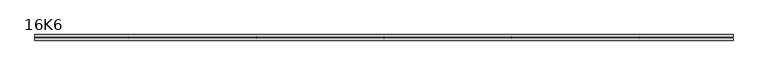
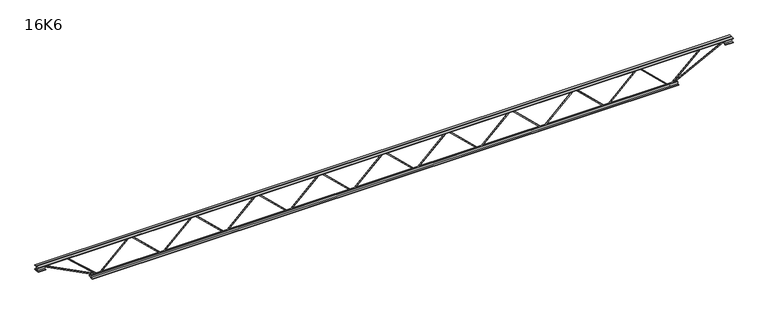
"""IFC4 building model written with IfcOpenShell, lengths in millimetres: beam geometry, 16K6."""

from ifc_helpers import new_model, si_unit, frame, origin, place, context, project, spatial, polyline, outline, extrude, source, transform, mapped, element, save


def beam_16k6_dd29e9ce(model_context):
    return source(origin(), model_context, "Body", "SweptSolid", [
        extrude(outline(polyline([(-191.9, 2082.3194444), (-201.4, 2082.3194444), (-201.4, 2087.4042366), (191.9, 2497.4431254), (191.9, 2499.9735412), (-201.4, 2910.0124301), (-201.4, 2915.0972222), (-191.9, 2915.0972222), (-191.9, 2913.8320143), (201.4, 2503.7931254), (201.4, 2493.6235412), (-191.9, 2083.5846523), (-191.9, 2082.3194444)])), frame((0.0, -4.75, 0.0), z_axis=(0.0, 1.0, 0.0), x_axis=(0.0, 0.0, 1.0)), (0.0, 0.0, 1.0), 9.5),
        extrude(outline(polyline([(-191.9, 1249.4166667), (-201.4, 1249.4166667), (-201.4, 1254.5014588), (191.9, 1664.5403477), (191.9, 1667.0707634), (-201.4, 2077.1096523), (-201.4, 2082.1944444), (-191.9, 2082.1944444), (-191.9, 2080.9292366), (201.4, 1670.8903477), (201.4, 1660.7207634), (-191.9, 1250.6818746), (-191.9, 1249.4166667)])), frame((0.0, -4.75, 0.0), z_axis=(0.0, 1.0, 0.0), x_axis=(0.0, 0.0, 1.0)), (0.0, 0.0, 1.0), 9.5),
        extrude(outline(polyline([(-191.9, 416.5138889), (-201.4, 416.5138889), (-201.4, 421.598681), (191.9, 831.6375699), (191.9, 834.1679857), (-201.4, 1244.2068746), (-201.4, 1249.2916667), (-191.9, 1249.2916667), (-191.9, 1248.0264588), (201.4, 837.9875699), (201.4, 827.8179857), (-191.9, 417.7790968), (-191.9, 416.5138889)])), frame((0.0, -4.75, 0.0), z_axis=(0.0, 1.0, 0.0), x_axis=(0.0, 0.0, 1.0)), (0.0, 0.0, 1.0), 9.5),
        extrude(outline(polyline([(-191.9, -416.3888889), (-201.4, -416.3888889), (-201.4, -411.3040968), (191.9, -1.2652079), (191.9, 1.2652079), (-201.4, 411.3040968), (-201.4, 416.3888889), (-191.9, 416.3888889), (-191.9, 415.123681), (201.4, 5.0847921), (201.4, -5.0847921), (-191.9, -415.123681), (-191.9, -416.3888889)])), frame((0.0, -4.75, 0.0), z_axis=(0.0, 1.0, 0.0), x_axis=(0.0, 0.0, 1.0)), (0.0, 0.0, 1.0), 9.5),
        extrude(outline(polyline([(-191.9, -1249.2916667), (-201.4, -1249.2916667), (-201.4, -1244.2068746), (191.9, -834.1679857), (191.9, -831.6375699), (-201.4, -421.598681), (-201.4, -416.5138889), (-191.9, -416.5138889), (-191.9, -417.7790968), (201.4, -827.8179857), (201.4, -837.9875699), (-191.9, -1248.0264588), (-191.9, -1249.2916667)])), frame((0.0, -4.75, 0.0), z_axis=(0.0, 1.0, 0.0), x_axis=(0.0, 0.0, 1.0)), (0.0, 0.0, 1.0), 9.5),
        extrude(outline(polyline([(-191.9, -2082.1944444), (-201.4, -2082.1944444), (-201.4, -2077.1096523), (191.9, -1667.0707634), (191.9, -1664.5403477), (-201.4, -1254.5014588), (-201.4, -1249.4166667), (-191.9, -1249.4166667), (-191.9, -1250.6818746), (201.4, -1660.7207634), (201.4, -1670.8903477), (-191.9, -2080.9292366), (-191.9, -2082.1944444)])), frame((0.0, -4.75, 0.0), z_axis=(0.0, 1.0, 0.0), x_axis=(0.0, 0.0, 1.0)), (0.0, 0.0, 1.0), 9.5),
        extrude(outline(polyline([(-191.9, -2915.0972222), (-201.4, -2915.0972222), (-201.4, -2910.0124301), (191.9, -2499.9735412), (191.9, -2497.4431254), (-201.4, -2087.4042366), (-201.4, -2082.3194444), (-191.9, -2082.3194444), (-191.9, -2083.5846523), (201.4, -2493.6235412), (201.4, -2503.7931254), (-191.9, -2913.8320143), (-191.9, -2915.0972222)])), frame((0.0, -4.75, 0.0), z_axis=(0.0, 1.0, 0.0), x_axis=(0.0, 0.0, 1.0)), (0.0, 0.0, 1.0), 9.5),
        extrude(outline(polyline([(-191.9, 2915.2222222), (-201.4, 2915.2222222), (-201.4, 2920.3070143), (191.9, 3330.3459032), (191.9, 3332.876319), (-201.4, 3742.9152079), (-201.4, 3748.0), (-191.9, 3748.0), (-191.9, 3746.7347921), (201.4, 3336.6959032), (201.4, 3326.526319), (-191.9, 2916.4874301), (-191.9, 2915.2222222)])), frame((0.0, -4.75, 0.0), z_axis=(0.0, 1.0, 0.0), x_axis=(0.0, 0.0, 1.0)), (0.0, 0.0, 1.0), 9.5),
        extrude(outline(polyline([(-191.9, -3748.0), (-201.4, -3748.0), (-201.4, -3742.9152079), (191.9, -3332.876319), (191.9, -3330.3459032), (-201.4, -2920.3070143), (-201.4, -2915.2222222), (-191.9, -2915.2222222), (-191.9, -2916.4874301), (201.4, -3326.526319), (201.4, -3336.6959032), (-191.9, -3746.7347921), (-191.9, -3748.0)])), frame((0.0, -4.75, 0.0), z_axis=(0.0, 1.0, 0.0), x_axis=(0.0, 0.0, 1.0)), (0.0, 0.0, 1.0), 9.5),
        extrude(outline(polyline([(4.75, 203.0), (36.75, 203.0), (36.75, 196.5), (11.25, 196.5), (11.25, 171.0), (4.75, 171.0), (4.75, 203.0)])), frame((-4560.0, 0.0, 0.0), z_axis=(1.0, 0.0, 0.0), x_axis=(0.0, 1.0, 0.0)), (0.0, 0.0, 1.0), 9120.0),
        extrude(outline(polyline([(-4.75, 203.0), (-4.75, 171.0), (-11.25, 171.0), (-11.25, 196.5), (-36.75, 196.5), (-36.75, 203.0), (-4.75, 203.0)])), frame((-4560.0, 0.0, 0.0), z_axis=(1.0, 0.0, 0.0), x_axis=(0.0, 1.0, 0.0)), (0.0, 0.0, 1.0), 9120.0),
        extrude(outline(polyline([(-4.75, 139.5), (-36.75, 139.5), (-36.75, 146.0), (-11.25, 146.0), (-11.25, 171.0), (-4.75, 171.0), (-4.75, 139.5)])), frame((-4560.0, 0.0, 0.0), z_axis=(1.0, 0.0, 0.0), x_axis=(0.0, 1.0, 0.0)), (0.0, 0.0, 1.0), 100.0),
        extrude(outline(polyline([(36.75, 139.5), (4.75, 139.5), (4.75, 171.0), (11.25, 171.0), (11.25, 146.0), (36.75, 146.0), (36.75, 139.5)])), frame((-4560.0, 0.0, 0.0), z_axis=(1.0, 0.0, 0.0), x_axis=(0.0, 1.0, 0.0)), (0.0, 0.0, 1.0), 100.0),
        extrude(outline(polyline([(4.75, 139.5), (4.75, 171.0), (11.25, 171.0), (11.25, 146.0), (36.75, 146.0), (36.75, 139.5), (4.75, 139.5)])), frame((4460.0, 0.0, 0.0), z_axis=(1.0, 0.0, 0.0), x_axis=(0.0, 1.0, 0.0)), (0.0, 0.0, 1.0), 100.0),
        extrude(outline(polyline([(-4.75, 139.5), (-36.75, 139.5), (-36.75, 146.0), (-11.25, 146.0), (-11.25, 171.0), (-4.75, 171.0), (-4.75, 139.5)])), frame((4460.0, 0.0, 0.0), z_axis=(1.0, 0.0, 0.0), x_axis=(0.0, 1.0, 0.0)), (0.0, 0.0, 1.0), 100.0),
        extrude(outline(polyline([(4.75, -203.0), (4.75, -171.0), (11.25, -171.0), (11.25, -196.5), (36.75, -196.5), (36.75, -203.0), (4.75, -203.0)])), frame((-3848.0, 0.0, 0.0), z_axis=(1.0, 0.0, 0.0), x_axis=(0.0, 1.0, 0.0)), (0.0, 0.0, 1.0), 7696.0),
        extrude(outline(polyline([(-4.75, -203.0), (-36.75, -203.0), (-36.75, -196.5), (-11.25, -196.5), (-11.25, -171.0), (-4.75, -171.0), (-4.75, -203.0)])), frame((-3848.0, 0.0, 0.0), z_axis=(1.0, 0.0, 0.0), x_axis=(0.0, 1.0, 0.0)), (0.0, 0.0, 1.0), 7696.0),
        extrude(outline(polyline([(-200.8705467, -3750.1793315), (-192.4294533, -3745.8206685), (175.75, -4458.8460208), (175.75, -4560.0), (166.25, -4560.0), (166.25, -4461.1539792), (-200.8705467, -3750.1793315)])), frame((0.0, -4.75, 0.0), z_axis=(0.0, 1.0, 0.0), x_axis=(0.0, 0.0, 1.0)), (0.0, 0.0, 1.0), 9.5),
        extrude(outline(polyline([(188.7, -4184.3460317), (179.2, -4184.3460317), (179.2, -4173.4663549), (-200.1834719, -3751.1744411), (-193.1165281, -3744.8255589), (188.7, -4169.8257086), (188.7, -4184.3460317)])), frame((0.0, -4.75, 0.0), z_axis=(0.0, 1.0, 0.0), x_axis=(0.0, 0.0, 1.0)), (0.0, 0.0, 1.0), 9.5),
        extrude(outline(polyline([(0.0, -9.5), (0.0, 0.0), (801.3179909, 0.0), (801.3179909, -9.5), (0.0, -9.5)])), frame((4462.1793315, -4.75, 166.7794533), z_axis=(-0.4588066213244953, 0.0, 0.8885361468329812), x_axis=(-0.8885361468329812, 0.0, -0.4588066213244953)), (0.0, 0.0, 1.0), 9.5),
        extrude(outline(polyline([(0.0, -9.5), (0.0, 0.0), (583.4058929, 0.0), (583.4058929, -9.5), (0.0, -9.5)])), frame((4182.105362, -4.75, 193.1416534), z_axis=(-0.6741447160190082, 0.0, 0.7385992836874747), x_axis=(-0.7385992836874747, 0.0, -0.6741447160190082)), (0.0, 0.0, 1.0), 9.5),
    ])


if __name__ == "__main__":
    model = new_model("IFC4")
    model_context = context("Model", 3, world=origin())
    ifc_project = project(units=[si_unit("LENGTHUNIT", "METRE", prefix="MILLI")], contexts=[model_context])
    site = spatial("IfcSite", under=ifc_project)
    building = spatial("IfcBuilding", under=site)
    placement = place(None, origin())
    beam_16k6_shape = beam_16k6_dd29e9ce(model_context)
    element("IfcBeam", 1, ObjectType="16K6", at=placement, inside=building, context=model_context, shape_type="MappedRepresentation", body=[
        mapped(beam_16k6_shape, transform((0.0, 0.0, 0.0), x_axis=(1.0, 0.0, 0.0), y_axis=(0.0, 1.0, 0.0), z_axis=(0.0, 0.0, 1.0))),
    ])
    save(model, "model.ifc")
